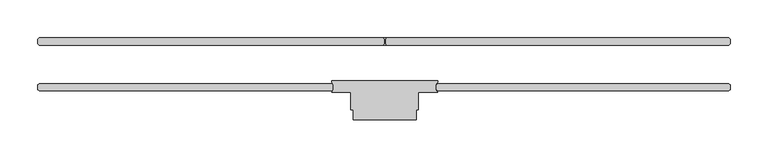
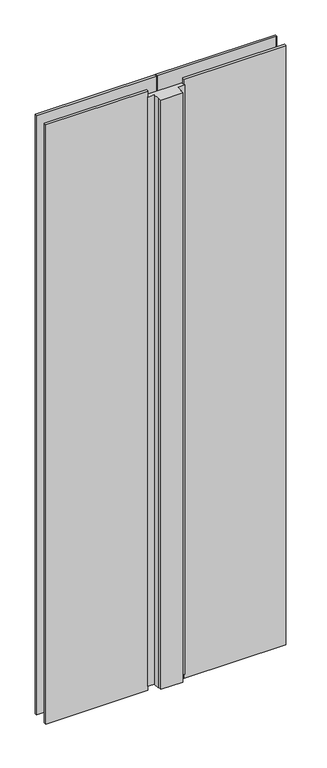
"""IFC4 building model written with IfcOpenShell, lengths in millimetres: plate geometry."""

from ifc_helpers import new_model, si_unit, frame, origin, origin_with_axes, place, context, project, spatial, polyline, outline, extrude, source, transform, mapped, element, save


def plate_89bf36e8(model_context):
    return source(origin(), model_context, "Body", "SweptSolid", [
        extrude(outline(polyline([(-69.0562495, -21.749999), (70.6437495, -21.749999), (70.6437495, -23.8125), (69.0562495, -25.4), (69.0562495, -34.925), (70.6437495, -36.5125), (45.2937495, -36.5125), (45.2937495, -59.9505984), (42.3923591, -59.9505984), (42.3923591, -72.9255327), (-40.8048591, -72.9255327), (-40.8048591, -59.9505984), (-43.7062495, -59.9505984), (-43.7062495, -36.5125), (-69.0562495, -36.5125), (-67.4687495, -34.925), (-67.4687495, -25.4), (-69.0562495, -23.8125), (-69.0562495, -21.749999)])), frame((0.0, 0.0, 17.4625), z_axis=(0.0, 0.0, 1.0), x_axis=(1.0, 0.0, 0.0)), (0.0, 0.0, 1.0), 2365.3750023),
        extrude(outline(polyline([(-454.81875, -25.4), (-69.0562495, -25.4), (-67.4687495, -26.9875), (-67.4687495, -33.3375), (-69.0562495, -34.925), (-454.81875, -34.925), (-456.40625, -33.3375), (-456.40625, -26.9875), (-454.81875, -25.4)])), origin_with_axes(), (0.0, 0.0, 1.0), 2405.0625023),
        extrude(outline(polyline([(-454.81875, 34.925), (-1.5875, 34.925), (0.0, 33.3375), (0.0, 26.9875), (-1.5875, 25.4), (-454.81875, 25.4), (-456.40625, 26.9875), (-456.40625, 33.3375), (-454.81875, 34.925)])), origin_with_axes(), (0.0, 0.0, 1.0), 2405.0625023),
        extrude(outline(polyline([(3.175, 34.925), (1.5875, 33.3375), (1.5875, 26.9875), (3.175, 25.4), (-1.5875, 25.4), (0.0, 26.9875), (0.0, 33.3375), (-1.5875, 34.925), (3.175, 34.925)])), frame((0.0, 0.0, -12.7), z_axis=(0.0, 0.0, 1.0), x_axis=(1.0, 0.0, 0.0)), (0.0, 0.0, 1.0), 2417.7625023),
        extrude(outline(polyline([(454.81875, -25.4), (456.40625, -26.9875), (456.40625, -33.3375), (454.81875, -34.925), (70.6437495, -34.925), (69.0562495, -33.3375), (69.0562495, -26.9875), (70.6437495, -25.4), (454.81875, -25.4)])), origin_with_axes(), (0.0, 0.0, 1.0), 2405.0625023),
        extrude(outline(polyline([(454.81875, 34.925), (456.40625, 33.3375), (456.40625, 26.9875), (454.81875, 25.4), (3.175, 25.4), (1.5875, 26.9875), (1.5875, 33.3375), (3.175, 34.925), (454.81875, 34.925)])), origin_with_axes(), (0.0, 0.0, 1.0), 2405.0625023),
    ])


if __name__ == "__main__":
    model = new_model("IFC4")
    model_context = context("Model", 3, world=origin())
    ifc_project = project(units=[si_unit("LENGTHUNIT", "METRE", prefix="MILLI")], contexts=[model_context])
    site = spatial("IfcSite", under=ifc_project)
    building = spatial("IfcBuilding", under=site)
    placement = place(None, origin())
    plate_shape = plate_89bf36e8(model_context)
    element("IfcPlate", 1, at=placement, inside=building, context=model_context, shape_type="MappedRepresentation", body=[
        mapped(plate_shape, transform((0.0, 0.0, 0.0), x_axis=(1.0, 0.0, 0.0), y_axis=(0.0, 1.0, 0.0), z_axis=(0.0, 0.0, 1.0))),
    ])
    save(model, "model.ifc")
